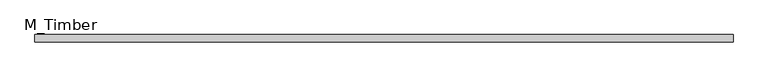
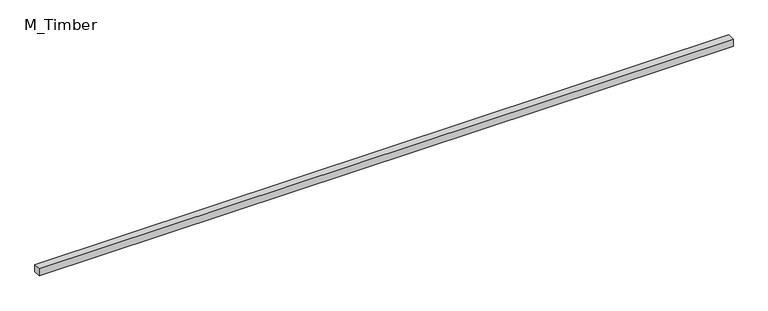
"""IFC4 building model written with IfcOpenShell, lengths in millimetres: beam geometry, M_Timber."""

import ifcopenshell
import ifcopenshell.guid

model = None  # the IFC model being written
_history = None  # IfcOwnerHistory: only IFC2X3 demands one
_inside = {}  # id of a spatial element -> (the spatial element, [elements in it])
_under = {}  # id of a project, library or spatial element -> (it, [spatial elements below it])
_declared = {}  # id of a project -> (the project, [libraries it declares])
_typed = {}  # id of a type object -> (the type object, [elements of that type])
_made_of = {}  # id of a material, layer set ... -> (it, [elements and type objects made of it])


def new_model(schema):
    """Start an empty IFC model of exactly this schema.

    Asked for "IFC4X3", IfcOpenShell would pick the latest addendum, in which some entities
    have other attributes; the version numbers below select the first issue.
    IFC2X3 requires an IfcOwnerHistory on every rooted entity: one is made here for all.
    """
    global model, _history
    if schema == "IFC4X3":
        model = ifcopenshell.file(schema_version=(4, 3, 0, 0))
    else:
        model = ifcopenshell.file(schema=schema)
    _inside.clear()
    _under.clear()
    _declared.clear()
    _typed.clear()
    _made_of.clear()
    _history = None
    if model.schema == "IFC2X3":
        org = make("IfcOrganization", Name="unknown")
        user = make(
            "IfcPersonAndOrganization",
            ThePerson=make("IfcPerson", FamilyName="unknown"),
            TheOrganization=org,
        )
        app = make(
            "IfcApplication",
            ApplicationDeveloper=org,
            Version="unknown",
            ApplicationFullName="unknown",
            ApplicationIdentifier="unknown",
        )
        _history = make(
            "IfcOwnerHistory",
            OwningUser=user,
            OwningApplication=app,
            ChangeAction="ADDED",
            CreationDate=0,
        )
    return model


def make(cls, **values):
    """One entity of the class cls with the attributes given. An attribute that is None is left unset."""
    return model.create_entity(
        cls, **{name: value for name, value in values.items() if value is not None}
    )


def rooted(cls, **values):
    """An entity with a GlobalId (a new one), such as an element, a storey or a relation."""
    return make(cls, GlobalId=ifcopenshell.guid.new(), OwnerHistory=_history, **values)


def si_unit(unit_type, name, prefix=None):
    """IfcSIUnit, for example si_unit("LENGTHUNIT", "METRE", prefix="MILLI")."""
    return make("IfcSIUnit", UnitType=unit_type, Prefix=prefix, Name=name)


def assignment(units):
    """IfcUnitAssignment: the units of a project."""
    return None if units is None else make("IfcUnitAssignment", Units=units)


def point(xyz):
    """IfcCartesianPoint."""
    return None if xyz is None else make("IfcCartesianPoint", Coordinates=xyz)


def direction(xyz):
    """IfcDirection."""
    return None if xyz is None else make("IfcDirection", DirectionRatios=xyz)


def frame(location, z_axis=None, x_axis=None):
    """IfcAxis2Placement3D, a coordinate frame: its origin and axes. An axis left out is left unset."""
    return make(
        "IfcAxis2Placement3D",
        Location=point(location),
        Axis=direction(z_axis),
        RefDirection=direction(x_axis),
    )


def origin():
    """The frame at (0, 0, 0) with its axes left unset."""
    return frame((0.0, 0.0, 0.0))


def place(relative_to, where):
    """IfcLocalPlacement: puts the frame where relative to a parent placement (None: the world)."""
    return make(
        "IfcLocalPlacement", PlacementRelTo=relative_to, RelativePlacement=where
    )


def context(
    kind, dimensions, precision=None, world=None, true_north=None, identifier=None
):
    """IfcGeometricRepresentationContext, for example the 3D "Model" context."""
    return make(
        "IfcGeometricRepresentationContext",
        ContextIdentifier=identifier,
        ContextType=kind,
        CoordinateSpaceDimension=dimensions,
        Precision=precision,
        WorldCoordinateSystem=world,
        TrueNorth=true_north,
    )


def project(units=None, contexts=None):
    """IfcProject with its units and contexts."""
    return rooted(
        "IfcProject",
        Name="project",
        RepresentationContexts=contexts,
        UnitsInContext=assignment(units),
    )


def spatial(cls, under=None, at=None, **own):
    """A site, building, storey or space (cls), placed at a placement, below another one or the project."""
    s = rooted(cls, ObjectPlacement=at, **own)
    if under is not None:
        _under.setdefault(under.id(), (under, []))[1].append(s)
    return s


def polyline(points):
    """IfcPolyline through the points."""
    return make("IfcPolyline", Points=[point(p) for p in points])


def outline(outer, holes=None, kind="AREA"):
    """IfcArbitraryClosedProfileDef: a profile drawn as a closed curve; with holes, ...WithVoids."""
    if holes is None:
        return make("IfcArbitraryClosedProfileDef", ProfileType=kind, OuterCurve=outer)
    return make(
        "IfcArbitraryProfileDefWithVoids",
        ProfileType=kind,
        OuterCurve=outer,
        InnerCurves=holes,
    )


def extrude(swept, where, along, depth):
    """IfcExtrudedAreaSolid: the profile swept, set in the frame where, extruded along a direction by depth."""
    return make(
        "IfcExtrudedAreaSolid",
        SweptArea=swept,
        Position=where,
        ExtrudedDirection=direction(along),
        Depth=depth,
    )


def shape(context_of_items, identifier, shape_type, items):
    """IfcShapeRepresentation: the items that make up one representation, for example the "Body"."""
    return make(
        "IfcShapeRepresentation",
        ContextOfItems=context_of_items,
        RepresentationIdentifier=identifier,
        RepresentationType=shape_type,
        Items=items,
    )


def source(mapping_origin, context_of_items, identifier, shape_type, items):
    """IfcRepresentationMap: a shape defined once, which mapped items show again and again."""
    return make(
        "IfcRepresentationMap",
        MappingOrigin=mapping_origin,
        MappedRepresentation=shape(context_of_items, identifier, shape_type, items),
    )


def transform(
    local_origin,
    x_axis=None,
    y_axis=None,
    z_axis=None,
    scale=None,
    scale2=None,
    scale3=None,
    uniform=True,
):
    """IfcCartesianTransformationOperator3D, or its non-uniform kind. x_axis, y_axis, z_axis: its Axis1, 2, 3."""
    if uniform:
        return make(
            "IfcCartesianTransformationOperator3D",
            Axis1=direction(x_axis),
            Axis2=direction(y_axis),
            LocalOrigin=point(local_origin),
            Scale=scale,
            Axis3=direction(z_axis),
        )
    return make(
        "IfcCartesianTransformationOperator3DnonUniform",
        Axis1=direction(x_axis),
        Axis2=direction(y_axis),
        LocalOrigin=point(local_origin),
        Scale=scale,
        Axis3=direction(z_axis),
        Scale2=scale2,
        Scale3=scale3,
    )


def mapped(mapping_source, mapping_target):
    """IfcMappedItem: shows the shape of a source again, moved by a transform."""
    return make(
        "IfcMappedItem", MappingSource=mapping_source, MappingTarget=mapping_target
    )


def made_of(thing, what):
    """Note that an element or type object is made of a material, layer set ...; save() writes the relation."""
    if what is not None:
        _made_of.setdefault(what.id(), (what, []))[1].append(thing)
    return thing


def element(
    cls,
    number,
    at=None,
    inside=None,
    cuts=None,
    type_object=None,
    material=None,
    context=None,
    identifier="Body",
    shape_type=None,
    held_by="IfcProductDefinitionShape",
    body=None,
    shapes=None,
    **own,
):
    """One element of the class cls, such as IfcWall. Its Tag is "e" and its number.

    at: its placement. inside: the storey or other place that contains it. cuts: it is an
    opening in that element (IfcRelVoidsElement). A single representation is given by context,
    identifier, shape_type and body (its items); several are given by shapes. held_by: the class
    of the entity that holds the representations. save() writes the other relations.
    """
    e = rooted(cls, Tag="e%d" % number, ObjectPlacement=at, **own)
    if body is not None:
        shapes = [shape(context, identifier, shape_type, body)]
    if shapes is not None:
        e.Representation = make(held_by, Representations=shapes)
    if inside is not None:
        _inside.setdefault(inside.id(), (inside, []))[1].append(e)
    if cuts is not None:
        rooted(
            "IfcRelVoidsElement", RelatingBuildingElement=cuts, RelatedOpeningElement=e
        )
    if type_object is not None:
        _typed.setdefault(type_object.id(), (type_object, []))[1].append(e)
    return made_of(e, material)


def aggregate(whole, parts):
    """IfcRelAggregates: a whole, such as a stair, and the parts it consists of."""
    return rooted("IfcRelAggregates", RelatingObject=whole, RelatedObjects=parts)


def save(model, path):
    """Write the relations noted so far, then the file.

    IfcRelAggregates (storeys below a building ...), IfcRelContainedInSpatialStructure (elements
    in a storey), IfcRelDefinesByType, IfcRelAssociatesMaterial and IfcRelDeclares: one each for
    every whole, place, type object, material and project.
    """
    for whole, parts in _under.values():
        aggregate(whole, parts)
    for where, things in _inside.values():
        rooted(
            "IfcRelContainedInSpatialStructure",
            RelatedElements=things,
            RelatingStructure=where,
        )
    for kind, things in _typed.values():
        rooted("IfcRelDefinesByType", RelatedObjects=things, RelatingType=kind)
    for what, things in _made_of.values():
        rooted("IfcRelAssociatesMaterial", RelatedObjects=things, RelatingMaterial=what)
    for by, libraries in _declared.values():
        rooted("IfcRelDeclares", RelatingContext=by, RelatedDefinitions=libraries)
    model.write(path)


def m_timber_e56eb4a4(model_context):
    return source(origin(), model_context, "Body", "SweptSolid", [
        extrude(outline(polyline([(1870.7903714, 20.0), (1870.7903714, -20.0), (-1870.7903714, -20.0), (-1870.7903714, 20.0), (1870.7903714, 20.0)])), frame((0.0, 0.0, -20.0), z_axis=(0.0, 0.0, 1.0), x_axis=(1.0, 0.0, 0.0)), (0.0, 0.0, 1.0), 40.0),
    ])


if __name__ == "__main__":
    model = new_model("IFC4")
    model_context = context("Model", 3, world=origin())
    ifc_project = project(units=[si_unit("LENGTHUNIT", "METRE", prefix="MILLI")], contexts=[model_context])
    site = spatial("IfcSite", under=ifc_project)
    building = spatial("IfcBuilding", under=site)
    placement = place(None, origin())
    m_timber_shape = m_timber_e56eb4a4(model_context)
    element("IfcBeam", 1, ObjectType="M_Timber", at=placement, inside=building, context=model_context, shape_type="MappedRepresentation", body=[
        mapped(m_timber_shape, transform((0.0, 0.0, 0.0), x_axis=(1.0, 0.0, 0.0), y_axis=(0.0, 1.0, 0.0), z_axis=(0.0, 0.0, 1.0))),
    ])
    save(model, "model.ifc")
